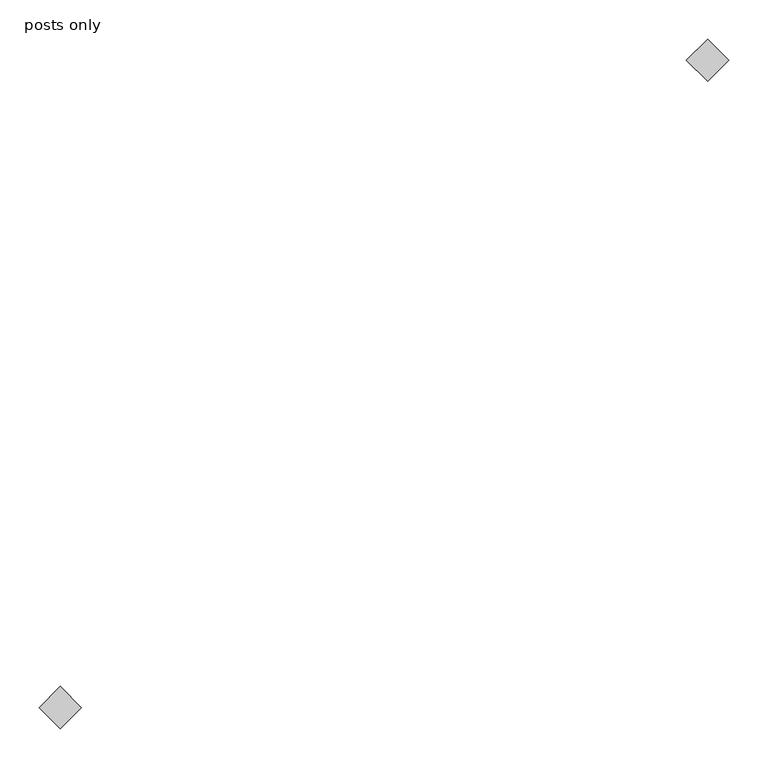
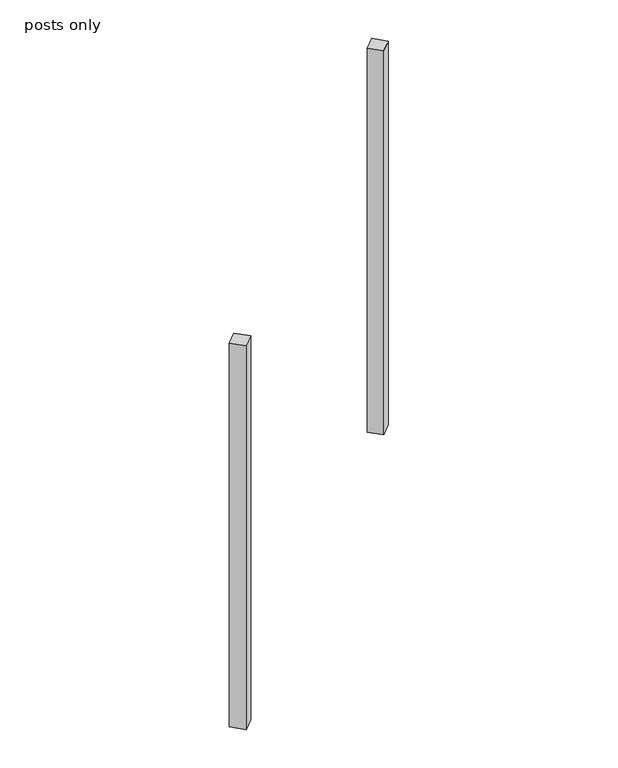
"""IFC4 building model written with IfcOpenShell, lengths in millimetres: railing geometry, posts only."""

from ifc_helpers import new_model, si_unit, origin, origin_with_axes, place, context, project, spatial, polyline, outline, extrude, source, transform, mapped, element, save


def posts_only_64069d26(model_context):
    return source(origin(), model_context, "Body", "SweptSolid", [
        extrude(outline(polyline([(7887.8254882, 2162.365942), (7860.8847198, 2135.4251736), (7833.9439515, 2162.365942), (7860.8847198, 2189.3067103), (7887.8254882, 2162.365942)])), origin_with_axes(), (0.0, 0.0, 1.0), 1028.7),
        extrude(outline(polyline([(7061.6419251, 1336.1823788), (7034.7011567, 1309.2416105), (7007.7603883, 1336.1823788), (7034.7011567, 1363.1231472), (7061.6419251, 1336.1823788)])), origin_with_axes(), (0.0, 0.0, 1.0), 1028.7),
    ])


if __name__ == "__main__":
    model = new_model("IFC4")
    model_context = context("Model", 3, world=origin())
    ifc_project = project(units=[si_unit("LENGTHUNIT", "METRE", prefix="MILLI")], contexts=[model_context])
    site = spatial("IfcSite", under=ifc_project)
    building = spatial("IfcBuilding", under=site)
    placement = place(None, origin())
    posts_only_shape = posts_only_64069d26(model_context)
    element("IfcRailing", 1, ObjectType="posts only", at=placement, inside=building, context=model_context, shape_type="MappedRepresentation", body=[
        mapped(posts_only_shape, transform((0.0, 0.0, 0.0), x_axis=(1.0, 0.0, 0.0), y_axis=(0.0, 1.0, 0.0), z_axis=(0.0, 0.0, 1.0))),
    ])
    save(model, "model.ifc")
